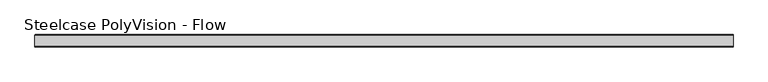
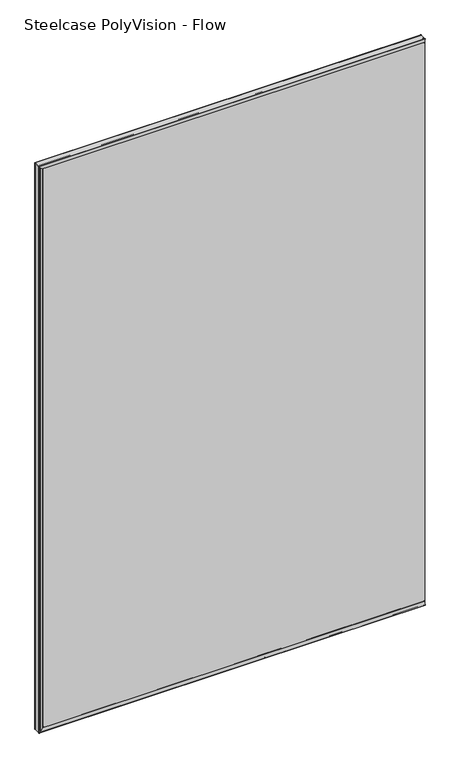
"""IFC4 building model written with IfcOpenShell, lengths in millimetres: furniture geometry, Steelcase PolyVision - Flow."""

from ifc_helpers import new_model, si_unit, point, frame, frame_2d, origin, place, context, project, spatial, polyline, circle_curve, ellipse_curve, trimmed, segment, composite_curve, outline, extrude, source, transform, mapped, element, save
from ifc_brep_helpers import plane_surface, cylinder_surface, revolved_surface, advanced_brep


def steelcase_polyvision_flow_5f54c6b5(model_context):
    return source(origin(), model_context, "Body", "SolidModel", [
        extrude(outline(polyline([(-2.1773004, 1827.6977202), (-2.1773004, 1826.8340763), (11.9065147, 1826.8340763), (11.9065147, 1824.149308), (7.6861579, 1824.149308), (7.6861579, 1817.1597246), (11.9065147, 1814.0934559), (11.9065147, 1804.1500962), (8.0075268, 1801.3173157), (7.7813476, 1800.4732034), (9.5131033, 1798.0), (7.5873908, 1798.0), (6.1707503, 1800.0231723), (6.1707503, 1801.7730492), (10.4011044, 1804.8465813), (10.4011044, 1813.2889188), (6.1707503, 1816.3624509), (6.1707503, 1823.2252503), (5.2024973, 1823.2252503), (4.2308366, 1824.3425727), (3.1736041, 1823.2853402), (2.1319224, 1824.3270218), (1.2210895, 1823.2415334), (0.4403969, 1824.2407744), (-0.5343781, 1823.2659994), (-1.3255269, 1823.2659994), (-1.3255269, 1824.7318758), (-2.1773004, 1824.7318758), (-2.1773004, 1823.8660166), (-5.4323759, 1824.6775981), (-5.4323759, 1826.8964971), (-2.1773004, 1827.6977202)])), frame((-587.0671964, 0.0, 0.0), z_axis=(1.0, 0.0, 0.0), x_axis=(0.0, 1.0, 0.0)), (0.0, 0.0, 1.0), 1174.1343929),
        extrude(outline(polyline([(-2.1773004, 3.0522798), (-5.4323759, 3.8535029), (-5.4323759, 6.0724019), (-2.1773004, 6.8839834), (-2.1773004, 6.0181242), (-1.3255269, 6.0181242), (-1.3255269, 7.4840006), (-0.5343781, 7.4840006), (0.4403969, 6.5092256), (1.2210895, 7.5084666), (2.1319224, 6.4229782), (3.1736041, 7.4646598), (4.2308366, 6.4074273), (5.2024973, 7.5247497), (6.1707503, 7.5247497), (6.1707503, 14.3875491), (10.4011044, 17.4610812), (10.4011044, 25.9034187), (6.1707503, 28.9769508), (6.1707503, 30.7268277), (11.9065147, 38.9183482), (11.9065147, 36.1681457), (7.7813476, 30.2767966), (8.0075268, 29.4326843), (11.9065147, 26.5999038), (11.9065147, 16.6565441), (7.6861579, 13.5902754), (7.6861579, 6.600692), (11.9065147, 6.600692), (11.9065147, 3.9159237), (-2.1773004, 3.9159237), (-2.1773004, 3.0522798)])), frame((-587.0671964, 0.0, 0.0), z_axis=(1.0, 0.0, 0.0), x_axis=(0.0, 1.0, 0.0)), (0.0, 0.0, 1.0), 1174.1343929),
        extrude(outline(polyline([(587.0671964, -6.2220176), (587.0671964, -7.0048301), (-587.0671964, -7.0048301), (-587.0671964, -6.2220176), (587.0671964, -6.2220176)])), frame((0.0, 0.0, 7.0), z_axis=(0.0, 0.0, 1.0), x_axis=(1.0, 0.0, 0.0)), (0.0, 0.0, 1.0), 1817.0),
        extrude(outline(polyline([(585.0671964, 5.9853098), (585.0671964, 5.2024973), (-585.0671964, 5.2024973), (-585.0671964, 5.9853098), (585.0671964, 5.9853098)])), frame((0.0, 0.0, 7.0), z_axis=(0.0, 0.0, 1.0), x_axis=(1.0, 0.0, 0.0)), (0.0, 0.0, 1.0), 1817.0),
        advanced_brep(
        [(587.0671964, -8.6715851, 1829.4960719), (587.0671964, -7.0765247, 1816.4301188), (587.0671964, -6.4849935, 1816.5113924), (587.0671964, -6.7536539, 1823.5810127), (587.0671964, -6.2540145, 1824.1), (587.0671964, -1.2728233, 1824.1), (587.0671964, -1.2728233, 1825.0075276), (587.0671964, -3.0119913, 1824.6901588), (587.0671964, -5.2722627, 1824.6901588), (587.0671964, -6.5482658, 1825.0125), (587.0671964, -6.5482658, 1827.54375), (587.0671964, -4.1898472, 1828.1395287), (587.0671964, -3.6232202, 1827.487699), (587.0671964, -2.5584614, 1828.0926138), (587.0671964, -1.9673188, 1827.5014712), (587.0671964, -1.2361675, 1828.0), (587.0671964, 1.7766235, 1828.0), (587.0671964, 3.5266235, 1827.3), (587.0671964, 11.3266235, 1827.3), (587.0671964, 11.8266235, 1827.8), (587.0671964, 11.8266235, 1829.5), (587.0671964, 11.3266235, 1830.0), (587.0671964, -8.1716005, 1830.0), (587.0671964, -8.6715851, 1.5039281), (587.0671964, -8.1716005, 1.0), (587.0671964, 11.3266235, 1.0), (587.0671964, 11.8266235, 1.5), (587.0671964, 11.8266235, 3.2), (587.0671964, 11.3266235, 3.7), (587.0671964, 3.5266235, 3.7), (587.0671964, 1.7766235, 3.0), (587.0671964, -1.2361675, 3.0), (587.0671964, -1.9673188, 3.4985288), (587.0671964, -2.5584614, 2.9073862), (587.0671964, -3.6232202, 3.512301), (587.0671964, -4.1898472, 2.8604713), (587.0671964, -6.5482658, 3.45625), (587.0671964, -6.5482658, 5.9875), (587.0671964, -5.2722627, 6.3098412), (587.0671964, -3.0119913, 6.3098412), (587.0671964, -1.2728233, 5.9924724), (587.0671964, -1.2728233, 6.9), (587.0671964, -6.2540145, 6.9), (587.0671964, -6.7536539, 7.4189873), (587.0671964, -6.4849935, 14.4886076), (587.0671964, -7.0765247, 14.5698812), (-592.5, -8.1716005, 1830.0), (-591.9960719, -8.6715851, 1829.4960719), (-592.5, 11.3266235, 1830.0), (-592.0, 11.8266235, 1829.5), (-590.3, 11.8266235, 1827.8), (-590.3, 11.8266235, 3.2), (-592.0, 11.8266235, 1.5), (-589.8, 11.3266235, 1827.3), (-589.8, 3.5266235, 1827.3), (-590.5, 1.7766235, 1828.0), (-590.5, -1.2361675, 1828.0), (-590.0014712, -1.9673188, 1827.5014712), (-590.5926138, -2.5584614, 1828.0926138), (-589.987699, -3.6232202, 1827.487699), (-590.6395287, -4.1898472, 1828.1395287), (-590.04375, -6.5482658, 1827.54375), (-587.5125, -6.5482658, 1825.0125), (-587.5125, -6.5482658, 5.9875), (-590.04375, -6.5482658, 3.45625), (-587.1901588, -5.2722627, 1824.6901588), (-587.1901588, -3.0119913, 1824.6901588), (-587.5075276, -1.2728233, 1825.0075276), (-586.6, -1.2728233, 1824.1), (-586.6, -1.2728233, 6.9), (-587.5075276, -1.2728233, 5.9924724), (-586.6, -6.2540145, 1824.1), (-586.0810127, -6.7536539, 1823.5810127), (-579.0113924, -6.4849935, 1816.5113924), (-578.9301188, -7.0765247, 1816.4301188), (-592.5, -8.1716005, 1.0), (-591.9960719, -8.6715851, 1.5039281), (-592.5, 11.3266235, 1.0), (-589.8, 11.3266235, 3.7), (-589.8, 3.5266235, 3.7), (-590.5, 1.7766235, 3.0), (-590.5, -1.2361675, 3.0), (-590.0014712, -1.9673188, 3.4985288), (-590.5926138, -2.5584614, 2.9073862), (-589.987699, -3.6232202, 3.512301), (-590.6395287, -4.1898472, 2.8604713), (-587.1901588, -5.2722627, 6.3098412), (-587.1901588, -3.0119913, 6.3098412), (-586.6, -6.2540145, 6.9), (-586.0810127, -6.7536539, 7.4189873), (-579.0113924, -6.4849935, 14.4886076), (-578.9301188, -7.0765247, 14.5698812)],
        [
            (0, 1, circle_curve(frame((587.0671964, 49.3766235, 1829.9521217), z_axis=(1.0, 0.0, 0.0), x_axis=(0.0, 0.0, -1.0)), 58.05)),
            (1, 2, circle_curve(frame((587.0671964, -6.7847771, 1816.5), z_axis=(1.0, 0.0, 0.0), x_axis=(0.0, 0.0, -1.0)), 0.3)),
            (2, 3),
            (3, 4, circle_curve(frame((587.0671964, -6.2540145, 1823.6), z_axis=(-1.0, 0.0, 0.0), x_axis=(0.0, 0.0, -1.0)), 0.5)),
            (4, 5),
            (5, 6),
            (6, 7),
            (7, 8),
            (8, 9),
            (9, 10),
            (10, 11),
            (11, 12),
            (12, 13),
            (13, 14),
            (14, 15, circle_curve(frame((587.0671964, -2.1069461, 1828.4916753), z_axis=(1.0, 0.0, 0.0), x_axis=(0.0, 0.0, -1.0)), 1.0)),
            (15, 16),
            (16, 17),
            (17, 18),
            (18, 19, circle_curve(frame((587.0671964, 11.3266235, 1827.8), z_axis=(1.0, 0.0, 0.0), x_axis=(0.0, 0.0, -1.0)), 0.5)),
            (19, 20),
            (20, 21, circle_curve(frame((587.0671964, 11.3266235, 1829.5), z_axis=(1.0, 0.0, 0.0), x_axis=(0.0, 0.0, -1.0)), 0.5)),
            (21, 22),
            (22, 0, circle_curve(frame((587.0671964, -8.1716005, 1829.5), z_axis=(1.0, 0.0, 0.0), x_axis=(0.0, 0.0, -1.0)), 0.5)),
            (23, 24, circle_curve(frame((587.0671964, -8.1716005, 1.5), z_axis=(1.0, 0.0, 0.0), x_axis=(0.0, 0.0, 1.0)), 0.5)),
            (24, 25),
            (25, 26, circle_curve(frame((587.0671964, 11.3266235, 1.5), z_axis=(1.0, 0.0, 0.0), x_axis=(0.0, 0.0, 1.0)), 0.5)),
            (26, 27),
            (27, 28, circle_curve(frame((587.0671964, 11.3266235, 3.2), z_axis=(1.0, 0.0, 0.0), x_axis=(0.0, 0.0, 1.0)), 0.5)),
            (28, 29),
            (29, 30),
            (30, 31),
            (31, 32, circle_curve(frame((587.0671964, -2.1069461, 2.5083247), z_axis=(1.0, 0.0, 0.0), x_axis=(0.0, 0.0, 1.0)), 1.0)),
            (32, 33),
            (33, 34),
            (34, 35),
            (35, 36),
            (36, 37),
            (37, 38),
            (38, 39),
            (39, 40),
            (40, 41),
            (41, 42),
            (42, 43, circle_curve(frame((587.0671964, -6.2540145, 7.4), z_axis=(-1.0, 0.0, 0.0), x_axis=(0.0, 0.0, 1.0)), 0.5)),
            (43, 44),
            (44, 45, circle_curve(frame((587.0671964, -6.7847771, 14.5), z_axis=(1.0, 0.0, 0.0), x_axis=(0.0, 0.0, 1.0)), 0.3)),
            (45, 23, circle_curve(frame((587.0671964, 49.3766235, 1.0478783), z_axis=(1.0, 0.0, 0.0), x_axis=(0.0, 0.0, 1.0)), 58.05)),
            (22, 46),
            (46, 47, ellipse_curve(frame((-592.0, -8.1716005, 1829.5), z_axis=(0.7071067811865475, 0.0, 0.7071067811865475), x_axis=(0.7071067811865476, 0.0, -0.7071067811865474)), 0.7071068, 0.5)),
            (47, 0),
            (21, 48),
            (48, 46),
            (20, 49),
            (49, 48, ellipse_curve(frame((-592.0, 11.3266235, 1829.5), z_axis=(0.7071067811865475, 0.0, 0.7071067811865475), x_axis=(0.7071067811865476, 0.0, -0.7071067811865474)), 0.7071068, 0.5)),
            (19, 50),
            (50, 51),
            (51, 27),
            (26, 52),
            (52, 49),
            (18, 53),
            (53, 50, ellipse_curve(frame((-590.3, 11.3266235, 1827.8), z_axis=(0.7071067811865475, 0.0, 0.7071067811865475), x_axis=(0.7071067811865476, 0.0, -0.7071067811865474)), 0.7071068, 0.5)),
            (17, 54),
            (54, 53),
            (16, 55),
            (55, 54),
            (15, 56),
            (56, 55),
            (14, 57),
            (57, 56, ellipse_curve(frame((-590.9916753, -2.1069461, 1828.4916753), z_axis=(0.7071067811865475, 0.0, 0.7071067811865475), x_axis=(0.7071067811865476, 0.0, -0.7071067811865474)), 1.4142136, 1.0)),
            (13, 58),
            (58, 57),
            (12, 59),
            (59, 58),
            (11, 60),
            (60, 59),
            (10, 61),
            (61, 60),
            (9, 62),
            (62, 63),
            (63, 37),
            (36, 64),
            (64, 61),
            (8, 65),
            (65, 62),
            (7, 66),
            (66, 65),
            (6, 67),
            (67, 66),
            (5, 68),
            (68, 69),
            (69, 41),
            (40, 70),
            (70, 67),
            (4, 71),
            (71, 68),
            (3, 72),
            (72, 71, ellipse_curve(frame((-586.1, -6.2540145, 1823.6), z_axis=(-0.7071067811865475, 0.0, -0.7071067811865475), x_axis=(-0.7071067811865476, 0.0, 0.7071067811865474)), 0.7071068, 0.5)),
            (2, 73),
            (73, 72),
            (1, 74),
            (74, 73, ellipse_curve(frame((-579.0, -6.7847771, 1816.5), z_axis=(0.7071067811865475, 0.0, 0.7071067811865475), x_axis=(0.7071067811865476, 0.0, -0.7071067811865474)), 0.4242641, 0.3)),
            (47, 74, ellipse_curve(frame((-592.4521217, 49.3766235, 1829.9521217), z_axis=(0.7071067811865475, 0.0, 0.7071067811865475), x_axis=(0.7071067811865476, 0.0, -0.7071067811865474)), 82.0950973, 58.05)),
            (46, 75),
            (75, 76, ellipse_curve(frame((-592.0, -8.1716005, 1.5), z_axis=(-0.7071067811865475, 0.0, 0.7071067811865475), x_axis=(0.7071067811865474, 0.0, 0.7071067811865476)), 0.7071068, 0.5)),
            (76, 47),
            (48, 77),
            (77, 75),
            (52, 77, ellipse_curve(frame((-592.0, 11.3266235, 1.5), z_axis=(-0.7071067811865475, 0.0, 0.7071067811865475), x_axis=(0.7071067811865474, 0.0, 0.7071067811865476)), 0.7071068, 0.5)),
            (53, 78),
            (78, 51, ellipse_curve(frame((-590.3, 11.3266235, 3.2), z_axis=(-0.7071067811865475, 0.0, 0.7071067811865475), x_axis=(0.7071067811865474, 0.0, 0.7071067811865476)), 0.7071068, 0.5)),
            (54, 79),
            (79, 78),
            (55, 80),
            (80, 79),
            (56, 81),
            (81, 80),
            (57, 82),
            (82, 81, ellipse_curve(frame((-590.9916753, -2.1069461, 2.5083247), z_axis=(-0.7071067811865475, 0.0, 0.7071067811865475), x_axis=(0.7071067811865474, 0.0, 0.7071067811865476)), 1.4142136, 1.0)),
            (58, 83),
            (83, 82),
            (59, 84),
            (84, 83),
            (60, 85),
            (85, 84),
            (64, 85),
            (65, 86),
            (86, 63),
            (66, 87),
            (87, 86),
            (70, 87),
            (71, 88),
            (88, 69),
            (72, 89),
            (89, 88, ellipse_curve(frame((-586.1, -6.2540145, 7.4), z_axis=(0.7071067811865475, 0.0, -0.7071067811865475), x_axis=(-0.7071067811865474, 0.0, -0.7071067811865476)), 0.7071068, 0.5)),
            (73, 90),
            (90, 89),
            (74, 91),
            (91, 90, ellipse_curve(frame((-579.0, -6.7847771, 14.5), z_axis=(-0.7071067811865475, 0.0, 0.7071067811865475), x_axis=(0.7071067811865474, 0.0, 0.7071067811865476)), 0.4242641, 0.3)),
            (76, 91, ellipse_curve(frame((-592.4521217, 49.3766235, 1.0478783), z_axis=(-0.7071067811865475, 0.0, 0.7071067811865475), x_axis=(0.7071067811865474, 0.0, 0.7071067811865476)), 82.0950973, 58.05)),
            (75, 24),
            (23, 76),
            (77, 25),
            (78, 28),
            (79, 29),
            (80, 30),
            (81, 31),
            (82, 32),
            (83, 33),
            (84, 34),
            (85, 35),
            (86, 38),
            (87, 39),
            (88, 42),
            (89, 43),
            (90, 44),
            (91, 45),
        ],
        [
            plane_surface(frame((587.0671964, -3.3270175, 1830.0), z_axis=(1.0, 0.0, 0.0), x_axis=(0.0, -1.0, 0.0))),
            plane_surface(frame((587.0671964, -3.3270175, 1.0), z_axis=(1.0, 0.0, 0.0), x_axis=(0.0, -1.0, 0.0))),
            cylinder_surface(frame((587.0671964, -8.1716005, 1829.5), z_axis=(1.0, 0.0, 0.0), x_axis=(0.0, 0.0, -1.0)), 0.5),
            plane_surface(frame((587.0671964, 11.3266235, 1830.0), z_axis=(0.0, 0.0, 1.0), x_axis=(-1.0, 0.0, 0.0))),
            cylinder_surface(frame((587.0671964, 11.3266235, 1829.5), z_axis=(1.0, 0.0, 0.0), x_axis=(0.0, 0.0, -1.0)), 0.5),
            plane_surface(frame((587.0671964, 11.8266235, 1827.8), z_axis=(0.0, 1.0, 0.0), x_axis=(-1.0, 0.0, 0.0))),
            cylinder_surface(frame((587.0671964, 11.3266235, 1827.8), z_axis=(1.0, 0.0, 0.0), x_axis=(0.0, 0.0, -1.0)), 0.5),
            plane_surface(frame((587.0671964, 3.5266235, 1827.3), z_axis=(0.0, 0.0, -1.0), x_axis=(-1.0, 0.0, 0.0))),
            plane_surface(frame((587.0671964, 1.7766235, 1828.0), z_axis=(0.0, -0.37139067635403505, -0.9284766908852868), x_axis=(-1.0, 0.0, 0.0))),
            plane_surface(frame((587.0671964, -1.2361675, 1828.0), z_axis=(0.0, 0.0, -1.0), x_axis=(-1.0, 0.0, 0.0))),
            cylinder_surface(frame((587.0671964, -2.1069461, 1828.4916753), z_axis=(1.0, 0.0, 0.0), x_axis=(0.0, 0.0, -1.0)), 1.0),
            plane_surface(frame((587.0671964, -2.5584614, 1828.0926138), z_axis=(0.0, -0.7071067811875535, -0.7071067811855415), x_axis=(-1.0, 0.0, 0.0))),
            plane_surface(frame((587.0671964, -3.6232202, 1827.487699), z_axis=(0.0, 0.49397121512912373, -0.8694782565561124), x_axis=(-1.0, 0.0, 0.0))),
            plane_surface(frame((587.0671964, -4.1898472, 1828.1395287), z_axis=(0.0, -0.754709580223035, -0.6560590289902049), x_axis=(-1.0, 0.0, 0.0))),
            plane_surface(frame((587.0671964, -5.3408915, 1827.8487543), z_axis=(0.0, 0.2449237250401695, -0.969542350241828), x_axis=(-1.0, 0.0, 0.0))),
            plane_surface(frame((587.0671964, -6.5482658, 1825.0125), z_axis=(0.0, 1.0, 0.0), x_axis=(-1.0, 0.0, 0.0))),
            plane_surface(frame((587.0671964, -5.2722627, 1824.6901588), z_axis=(0.0, 0.244923725041825, 0.9695423502414099), x_axis=(-1.0, 0.0, 0.0))),
            plane_surface(frame((587.0671964, -3.0119913, 1824.6901588), z_axis=(0.0, 0.0, 1.0), x_axis=(-1.0, 0.0, 0.0))),
            plane_surface(frame((587.0671964, -1.2728233, 1825.0075276), z_axis=(0.0, -0.17951862598821375, 0.9837545745374219), x_axis=(-1.0, 0.0, 0.0))),
            plane_surface(frame((587.0671964, -1.2728233, 1824.1), z_axis=(0.0, 1.0, 0.0), x_axis=(-1.0, 0.0, 0.0))),
            plane_surface(frame((587.0671964, -6.2540145, 1824.1), z_axis=(0.0, 0.0, -1.0), x_axis=(-1.0, 0.0, 0.0))),
            revolved_surface(polyline([(-586.6000000133032, -6.2540145, 1823.1), (587.0671964, -6.2540145, 1823.1)]), (587.0671964, -6.2540145, 1823.6), (-1.0, 0.0, 0.0)),
            plane_surface(frame((587.0671964, -6.4849935, 1816.5113924), z_axis=(0.0, 0.9992787015691392, 0.037974683544373534), x_axis=(-1.0, 0.0, 0.0))),
            cylinder_surface(frame((587.0671964, -6.7847771, 1816.5), z_axis=(1.0, 0.0, 0.0), x_axis=(0.0, 0.0, -1.0)), 0.3),
            cylinder_surface(frame((587.0671964, 49.3766235, 1829.9521217), z_axis=(1.0, 0.0, 0.0), x_axis=(0.0, 0.0, -1.0)), 58.05),
            cylinder_surface(frame((-592.0, -8.1716005, 1830.0), z_axis=(0.0, 0.0, 1.0), x_axis=(1.0, 0.0, 0.0)), 0.5),
            plane_surface(frame((-592.5, 11.3266235, 1830.0), z_axis=(-1.0, 0.0, 0.0), x_axis=(0.0, 0.0, -1.0))),
            cylinder_surface(frame((-592.0, 11.3266235, 1830.0), z_axis=(0.0, 0.0, 1.0), x_axis=(1.0, 0.0, 0.0)), 0.5),
            cylinder_surface(frame((-590.3, 11.3266235, 1830.0), z_axis=(0.0, 0.0, 1.0), x_axis=(1.0, 0.0, 0.0)), 0.5),
            plane_surface(frame((-589.8, 3.5266235, 1827.3), z_axis=(1.0, 0.0, 0.0), x_axis=(0.0, 0.0, -1.0))),
            plane_surface(frame((-590.5, 1.7766235, 1828.0), z_axis=(0.9284766908852881, -0.371390676354032, 0.0), x_axis=(0.0, 0.0, -1.0))),
            plane_surface(frame((-590.5, -1.2361675, 1828.0), z_axis=(1.0, 0.0, 0.0), x_axis=(0.0, 0.0, -1.0))),
            cylinder_surface(frame((-590.9916753, -2.1069461, 1830.0), z_axis=(0.0, 0.0, 1.0), x_axis=(1.0, 0.0, 0.0)), 1.0),
            plane_surface(frame((-590.5926138, -2.5584614, 1828.0926138), z_axis=(0.7071067811855438, -0.7071067811875512, 0.0), x_axis=(0.0, 0.0, -1.0))),
            plane_surface(frame((-589.987699, -3.6232202, 1827.487699), z_axis=(0.8694782565561109, 0.4939712151291267, 0.0), x_axis=(0.0, 0.0, -1.0))),
            plane_surface(frame((-590.6395287, -4.1898472, 1828.1395287), z_axis=(0.6560590289902073, -0.7547095802230329, 0.0), x_axis=(0.0, 0.0, -1.0))),
            plane_surface(frame((-590.3487543, -5.3408915, 1827.8487543), z_axis=(0.9695423502418272, 0.24492372504017268, 0.0), x_axis=(0.0, 0.0, -1.0))),
            plane_surface(frame((-587.1901588, -5.2722627, 1824.6901588), z_axis=(-0.9695423502414107, 0.2449237250418218, 0.0), x_axis=(0.0, 0.0, -1.0))),
            plane_surface(frame((-587.1901588, -3.0119913, 1824.6901588), z_axis=(-1.0, 0.0, 0.0), x_axis=(0.0, 0.0, -1.0))),
            plane_surface(frame((-587.5075276, -1.2728233, 1825.0075276), z_axis=(-0.9837545745374213, -0.179518625988217, 0.0), x_axis=(0.0, 0.0, -1.0))),
            plane_surface(frame((-586.6, -6.2540145, 1824.1), z_axis=(1.0, 0.0, 0.0), x_axis=(0.0, 0.0, -1.0))),
            revolved_surface(polyline([(-585.6, -6.2540145, 6.899999986696912), (-585.6, -6.2540145, 1824.100000013303)]), (-586.1, -6.2540145, 1830.0), (0.0, 0.0, -1.0)),
            plane_surface(frame((-579.0113924, -6.4849935, 1816.5113924), z_axis=(-0.037974683544376824, 0.9992787015691391, 0.0), x_axis=(0.0, 0.0, -1.0))),
            cylinder_surface(frame((-579.0, -6.7847771, 1830.0), z_axis=(0.0, 0.0, 1.0), x_axis=(1.0, 0.0, 0.0)), 0.3),
            cylinder_surface(frame((-592.4521217, 49.3766235, 1830.0), z_axis=(0.0, 0.0, 1.0), x_axis=(1.0, 0.0, 0.0)), 58.05),
            cylinder_surface(frame((-592.5, -8.1716005, 1.5), z_axis=(-1.0, 0.0, 0.0), x_axis=(0.0, 0.0, 1.0)), 0.5),
            plane_surface(frame((-592.5, 11.3266235, 1.0), z_axis=(0.0, 0.0, -1.0), x_axis=(1.0, 0.0, 0.0))),
            cylinder_surface(frame((-592.5, 11.3266235, 1.5), z_axis=(-1.0, 0.0, 0.0), x_axis=(0.0, 0.0, 1.0)), 0.5),
            cylinder_surface(frame((-592.5, 11.3266235, 3.2), z_axis=(-1.0, 0.0, 0.0), x_axis=(0.0, 0.0, 1.0)), 0.5),
            plane_surface(frame((-589.8, 3.5266235, 3.7), z_axis=(0.0, 0.0, 1.0), x_axis=(1.0, 0.0, 0.0))),
            plane_surface(frame((-590.5, 1.7766235, 3.0), z_axis=(0.0, -0.37139067635403494, 0.9284766908852868), x_axis=(1.0, 0.0, 0.0))),
            plane_surface(frame((-590.5, -1.2361675, 3.0), z_axis=(0.0, 0.0, 1.0), x_axis=(1.0, 0.0, 0.0))),
            cylinder_surface(frame((-592.5, -2.1069461, 2.5083247), z_axis=(-1.0, 0.0, 0.0), x_axis=(0.0, 0.0, 1.0)), 1.0),
            plane_surface(frame((-590.5926138, -2.5584614, 2.9073862), z_axis=(0.0, -0.7071067811875534, 0.7071067811855416), x_axis=(1.0, 0.0, 0.0))),
            plane_surface(frame((-589.987699, -3.6232202, 3.512301), z_axis=(0.0, 0.4939712151291239, 0.8694782565561124), x_axis=(1.0, 0.0, 0.0))),
            plane_surface(frame((-590.6395287, -4.1898472, 2.8604713), z_axis=(0.0, -0.754709580223035, 0.6560590289902049), x_axis=(1.0, 0.0, 0.0))),
            plane_surface(frame((-590.3487543, -5.3408915, 3.1512457), z_axis=(0.0, 0.2449237250401696, 0.969542350241828), x_axis=(1.0, 0.0, 0.0))),
            plane_surface(frame((-587.1901588, -5.2722627, 6.3098412), z_axis=(0.0, 0.24492372504182489, -0.9695423502414099), x_axis=(1.0, 0.0, 0.0))),
            plane_surface(frame((-587.1901588, -3.0119913, 6.3098412), z_axis=(0.0, 0.0, -1.0), x_axis=(1.0, 0.0, 0.0))),
            plane_surface(frame((-587.5075276, -1.2728233, 5.9924724), z_axis=(0.0, -0.1795186259882139, -0.9837545745374219), x_axis=(1.0, 0.0, 0.0))),
            plane_surface(frame((-586.6, -6.2540145, 6.9), z_axis=(0.0, 0.0, 1.0), x_axis=(1.0, 0.0, 0.0))),
            revolved_surface(polyline([(587.0671963999998, -6.2540145, 7.9), (-586.6000000133031, -6.2540145, 7.9)]), (-592.5, -6.2540145, 7.4), (1.0, 0.0, 0.0)),
            plane_surface(frame((-579.0113924, -6.4849935, 14.4886076), z_axis=(0.0, 0.9992787015691392, -0.03797468354437366), x_axis=(1.0, 0.0, 0.0))),
            cylinder_surface(frame((-592.5, -6.7847771, 14.5), z_axis=(-1.0, 0.0, 0.0), x_axis=(0.0, 0.0, 1.0)), 0.3),
            cylinder_surface(frame((-592.5, 49.3766235, 1.0478783), z_axis=(-1.0, 0.0, 0.0), x_axis=(0.0, 0.0, 1.0)), 58.05),
        ],
        [
            (0, [[1, 2, 3, 4, 5, 6, 7, 8, 9, 10, 11, 12, 13, 14, 15, 16, 17, 18, 19, 20, 21, 22, 23]]),
            (1, [[24, 25, 26, 27, 28, 29, 30, 31, 32, 33, 34, 35, 36, 37, 38, 39, 40, 41, 42, 43, 44, 45, 46]]),
            (2, [[-23, 47, 48, 49]]),
            (3, [[-22, 50, 51, -47]]),
            (4, [[-21, 52, 53, -50]]),
            (5, [[-20, 54, 55, 56, -27, 57, 58, -52]]),
            (6, [[-19, 59, 60, -54]]),
            (7, [[-18, 61, 62, -59]]),
            (8, [[-17, 63, 64, -61]]),
            (9, [[-16, 65, 66, -63]]),
            (10, [[-15, 67, 68, -65]]),
            (11, [[-14, 69, 70, -67]]),
            (12, [[-13, 71, 72, -69]]),
            (13, [[-12, 73, 74, -71]]),
            (14, [[75, 76, -73, -11]]),
            (15, [[-10, 77, 78, 79, -37, 80, 81, -75]]),
            (16, [[-9, 82, 83, -77]]),
            (17, [[-8, 84, 85, -82]]),
            (18, [[-7, 86, 87, -84]]),
            (19, [[-6, 88, 89, 90, -41, 91, 92, -86]]),
            (20, [[-5, 93, 94, -88]]),
            (21, [[-4, 95, 96, -93]]),
            (22, [[-3, 97, 98, -95]]),
            (23, [[-2, 99, 100, -97]]),
            (24, [[-1, -49, 101, -99]]),
            (25, [[-48, 102, 103, 104]]),
            (26, [[-51, 105, 106, -102]]),
            (27, [[-53, -58, 107, -105]]),
            (28, [[-60, 108, 109, -55]]),
            (29, [[-62, 110, 111, -108]]),
            (30, [[-64, 112, 113, -110]]),
            (31, [[-66, 114, 115, -112]]),
            (32, [[-68, 116, 117, -114]]),
            (33, [[-70, 118, 119, -116]]),
            (34, [[-72, 120, 121, -118]]),
            (35, [[-74, 122, 123, -120]]),
            (36, [[-76, -81, 124, -122]]),
            (37, [[-83, 125, 126, -78]]),
            (38, [[-85, 127, 128, -125]]),
            (39, [[-87, -92, 129, -127]]),
            (40, [[-94, 130, 131, -89]]),
            (41, [[-96, 132, 133, -130]]),
            (42, [[-98, 134, 135, -132]]),
            (43, [[-100, 136, 137, -134]]),
            (44, [[-101, -104, 138, -136]]),
            (45, [[-103, 139, -24, 140]]),
            (46, [[-106, 141, -25, -139]]),
            (47, [[-107, -57, -26, -141]]),
            (48, [[-109, 142, -28, -56]]),
            (49, [[-111, 143, -29, -142]]),
            (50, [[-113, 144, -30, -143]]),
            (51, [[-115, 145, -31, -144]]),
            (52, [[-117, 146, -32, -145]]),
            (53, [[-119, 147, -33, -146]]),
            (54, [[-121, 148, -34, -147]]),
            (55, [[-123, 149, -35, -148]]),
            (56, [[-124, -80, -36, -149]]),
            (57, [[-126, 150, -38, -79]]),
            (58, [[-128, 151, -39, -150]]),
            (59, [[-129, -91, -40, -151]]),
            (60, [[-131, 152, -42, -90]]),
            (61, [[-133, 153, -43, -152]]),
            (62, [[-135, 154, -44, -153]]),
            (63, [[-137, 155, -45, -154]]),
            (64, [[-138, -140, -46, -155]]),
        ],
    ),
        extrude(outline(composite_curve([segment(polyline([(-587.178125, 11.9065147), (-587.178125, 7.7013244), (-580.1500518, 7.7013244), (-577.1500518, 11.9013244), (-567.1061982, 11.9013244), (-563.9709693, 7.5120041), (-557.778125, 11.9013244), (-556.491294, 11.9013244)]), True, "CONTINUOUS"), segment(trimmed(circle_curve(frame_2d((-556.491294, 11.4060617)), 0.4952627), [point((-556.491294, 11.9013244))], [point((-556.2049054, 11.0019991))], False, "CARTESIAN"), True, "CONTINUOUS"), segment(polyline([(-556.2049054, 11.0019991), (-563.022318, 6.1700016), (-564.8557516, 6.1700016), (-567.878125, 10.4013244), (-576.378125, 10.4013244), (-579.329448, 6.2694723), (-585.9521081, 6.2694723), (-586.3942854, 5.1112467), (-587.5676821, 4.2013244), (-586.278125, 3.2013244), (-587.5819668, 2.1902472), (-586.278125, 1.2679911), (-587.6054758, 0.3291062), (-587.7708901, -1.6777781)]), True, "CONTINUOUS"), segment(trimmed(circle_curve(frame_2d((-587.9352478, -2.1614381)), 0.5108233), [point((-587.7708901, -1.6777781))], [point((-587.4519342, -2.3268115))], False, "CARTESIAN"), True, "CONTINUOUS"), segment(polyline([(-587.4519342, -2.3268115), (-587.7207772, -3.1125214)]), True, "CONTINUOUS"), segment(trimmed(circle_curve(frame_2d((-588.4335511, -3.6561181)), 0.8964062), [point((-587.7207772, -3.1125214))], [point((-587.5854196, -3.9463196))], False, "CARTESIAN"), True, "CONTINUOUS"), segment(polyline([(-587.5854196, -3.9463196), (-588.0823661, -5.3986756), (-589.878125, -5.3986756), (-590.2493178, -3.929291)]), True, "CONTINUOUS"), segment(trimmed(circle_curve(frame_2d((-589.5575806, -3.7545459)), 0.7134678), [point((-590.2493178, -3.929291))], [point((-590.0201742, -3.2113669))], False, "CARTESIAN"), True, "CONTINUOUS"), segment(polyline([(-590.0201742, -3.2113669), (-590.2493178, -2.304291)]), True, "CONTINUOUS"), segment(trimmed(circle_curve(frame_2d((-589.7175534, -2.1699579)), 0.5484695), [point((-590.2493178, -2.304291))], [point((-589.878125, -1.6455195))], False, "CARTESIAN"), True, "CONTINUOUS"), segment(polyline([(-589.878125, -1.6455195), (-589.878125, 11.9065147), (-587.178125, 11.9065147)]), True, "CONTINUOUS")], self_intersect=False)), frame((0.0, 0.0, 39.0), z_axis=(0.0, 0.0, 1.0), x_axis=(1.0, 0.0, 0.0)), (0.0, 0.0, 1.0), 1759.0),
        extrude(outline(polyline([(585.0671964, 5.2024973), (585.0671964, 0.2355242), (575.0671964, 0.2355242), (575.0671964, -2.1351563), (587.0671964, -2.1351563), (587.0671964, -5.7140707), (-587.0671964, -5.7140707), (-587.0671964, -2.1351563), (-575.0671964, -2.1351563), (-575.0671964, 0.2355242), (-585.0671964, 0.2355242), (-585.0671964, 5.2024973), (585.0671964, 5.2024973)])), frame((0.0, 0.0, 7.0), z_axis=(0.0, 0.0, 1.0), x_axis=(1.0, 0.0, 0.0)), (0.0, 0.0, 1.0), 1817.0),
    ])


if __name__ == "__main__":
    model = new_model("IFC4")
    model_context = context("Model", 3, world=origin())
    ifc_project = project(units=[si_unit("LENGTHUNIT", "METRE", prefix="MILLI")], contexts=[model_context])
    site = spatial("IfcSite", under=ifc_project)
    building = spatial("IfcBuilding", under=site)
    placement = place(None, origin())
    steelcase_polyvision_flow_shape = steelcase_polyvision_flow_5f54c6b5(model_context)
    element("IfcFurniture", 1, ObjectType="Steelcase PolyVision - Flow", at=placement, inside=building, context=model_context, shape_type="MappedRepresentation", body=[
        mapped(steelcase_polyvision_flow_shape, transform((0.0, 0.0, 0.0), x_axis=(1.0, 0.0, 0.0), y_axis=(0.0, 1.0, 0.0), z_axis=(0.0, 0.0, 1.0))),
    ])
    save(model, "model.ifc")
